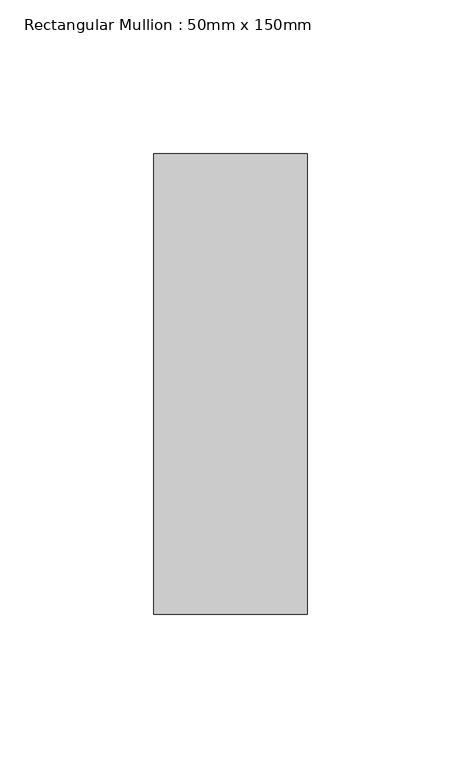
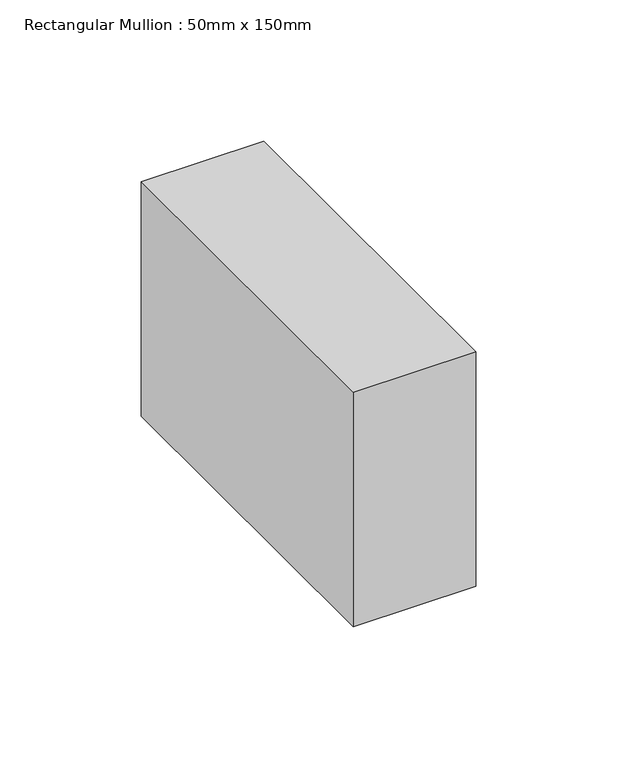
"""IFC4 building model written with IfcOpenShell, lengths in millimetres: member geometry, Rectangular Mullion : 50mm x 150mm."""

from ifc_helpers import new_model, si_unit, frame, origin, place, context, project, spatial, polyline, outline, extrude, source, transform, mapped, element, save


def rectangular_mullion_50mm_x_150mm_5d6aa738(model_context):
    return source(origin(), model_context, "Body", "SweptSolid", [
        extrude(outline(polyline([(25.0, 75.0), (25.0, -75.0), (-25.0, -75.0), (-25.0, 75.0), (25.0, 75.0)])), frame((0.0, 0.0, -101.2581051), z_axis=(0.0, 0.0, 1.0), x_axis=(1.0, 0.0, 0.0)), (0.0, 0.0, 1.0), 101.2581051),
    ])


if __name__ == "__main__":
    model = new_model("IFC4")
    model_context = context("Model", 3, world=origin())
    ifc_project = project(units=[si_unit("LENGTHUNIT", "METRE", prefix="MILLI")], contexts=[model_context])
    site = spatial("IfcSite", under=ifc_project)
    building = spatial("IfcBuilding", under=site)
    placement = place(None, origin())
    rectangular_mullion_50mm_x_150mm_shape = rectangular_mullion_50mm_x_150mm_5d6aa738(model_context)
    element("IfcMember", 1, ObjectType="Rectangular Mullion : 50mm x 150mm", at=placement, inside=building, context=model_context, shape_type="MappedRepresentation", body=[
        mapped(rectangular_mullion_50mm_x_150mm_shape, transform((0.0, 0.0, 0.0), x_axis=(1.0, 0.0, 0.0), y_axis=(0.0, 1.0, 0.0), z_axis=(0.0, 0.0, 1.0))),
    ])
    save(model, "model.ifc")
